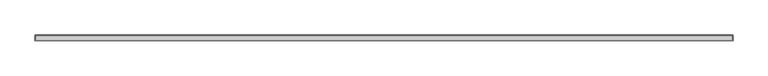
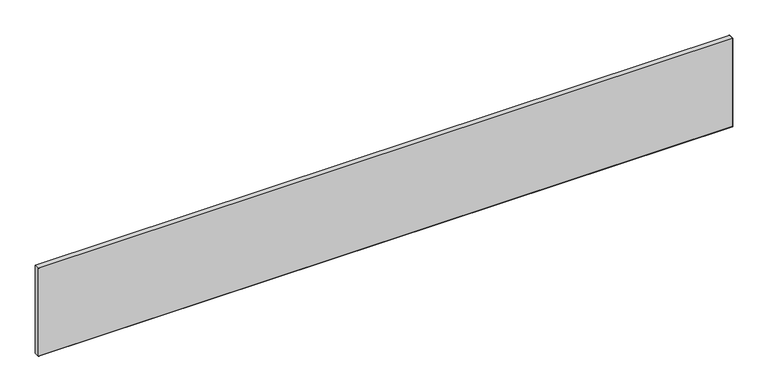
"""IFC4 building model written with IfcOpenShell, lengths in millimetres: furniture geometry."""

import ifcopenshell
import ifcopenshell.guid

model = None  # the IFC model being written
_history = None  # IfcOwnerHistory: only IFC2X3 demands one
_inside = {}  # id of a spatial element -> (the spatial element, [elements in it])
_under = {}  # id of a project, library or spatial element -> (it, [spatial elements below it])
_declared = {}  # id of a project -> (the project, [libraries it declares])
_typed = {}  # id of a type object -> (the type object, [elements of that type])
_made_of = {}  # id of a material, layer set ... -> (it, [elements and type objects made of it])


def new_model(schema):
    """Start an empty IFC model of exactly this schema.

    Asked for "IFC4X3", IfcOpenShell would pick the latest addendum, in which some entities
    have other attributes; the version numbers below select the first issue.
    IFC2X3 requires an IfcOwnerHistory on every rooted entity: one is made here for all.
    """
    global model, _history
    if schema == "IFC4X3":
        model = ifcopenshell.file(schema_version=(4, 3, 0, 0))
    else:
        model = ifcopenshell.file(schema=schema)
    _inside.clear()
    _under.clear()
    _declared.clear()
    _typed.clear()
    _made_of.clear()
    _history = None
    if model.schema == "IFC2X3":
        org = make("IfcOrganization", Name="unknown")
        user = make(
            "IfcPersonAndOrganization",
            ThePerson=make("IfcPerson", FamilyName="unknown"),
            TheOrganization=org,
        )
        app = make(
            "IfcApplication",
            ApplicationDeveloper=org,
            Version="unknown",
            ApplicationFullName="unknown",
            ApplicationIdentifier="unknown",
        )
        _history = make(
            "IfcOwnerHistory",
            OwningUser=user,
            OwningApplication=app,
            ChangeAction="ADDED",
            CreationDate=0,
        )
    return model


def make(cls, **values):
    """One entity of the class cls with the attributes given. An attribute that is None is left unset."""
    return model.create_entity(
        cls, **{name: value for name, value in values.items() if value is not None}
    )


def rooted(cls, **values):
    """An entity with a GlobalId (a new one), such as an element, a storey or a relation."""
    return make(cls, GlobalId=ifcopenshell.guid.new(), OwnerHistory=_history, **values)


def si_unit(unit_type, name, prefix=None):
    """IfcSIUnit, for example si_unit("LENGTHUNIT", "METRE", prefix="MILLI")."""
    return make("IfcSIUnit", UnitType=unit_type, Prefix=prefix, Name=name)


def assignment(units):
    """IfcUnitAssignment: the units of a project."""
    return None if units is None else make("IfcUnitAssignment", Units=units)


def point(xyz):
    """IfcCartesianPoint."""
    return None if xyz is None else make("IfcCartesianPoint", Coordinates=xyz)


def direction(xyz):
    """IfcDirection."""
    return None if xyz is None else make("IfcDirection", DirectionRatios=xyz)


def frame(location, z_axis=None, x_axis=None):
    """IfcAxis2Placement3D, a coordinate frame: its origin and axes. An axis left out is left unset."""
    return make(
        "IfcAxis2Placement3D",
        Location=point(location),
        Axis=direction(z_axis),
        RefDirection=direction(x_axis),
    )


def origin():
    """The frame at (0, 0, 0) with its axes left unset."""
    return frame((0.0, 0.0, 0.0))


def place(relative_to, where):
    """IfcLocalPlacement: puts the frame where relative to a parent placement (None: the world)."""
    return make(
        "IfcLocalPlacement", PlacementRelTo=relative_to, RelativePlacement=where
    )


def context(
    kind, dimensions, precision=None, world=None, true_north=None, identifier=None
):
    """IfcGeometricRepresentationContext, for example the 3D "Model" context."""
    return make(
        "IfcGeometricRepresentationContext",
        ContextIdentifier=identifier,
        ContextType=kind,
        CoordinateSpaceDimension=dimensions,
        Precision=precision,
        WorldCoordinateSystem=world,
        TrueNorth=true_north,
    )


def project(units=None, contexts=None):
    """IfcProject with its units and contexts."""
    return rooted(
        "IfcProject",
        Name="project",
        RepresentationContexts=contexts,
        UnitsInContext=assignment(units),
    )


def spatial(cls, under=None, at=None, **own):
    """A site, building, storey or space (cls), placed at a placement, below another one or the project."""
    s = rooted(cls, ObjectPlacement=at, **own)
    if under is not None:
        _under.setdefault(under.id(), (under, []))[1].append(s)
    return s


def point_list(points):
    """IfcCartesianPointList2D or 3D."""
    cls = (
        "IfcCartesianPointList2D" if len(points[0]) == 2 else "IfcCartesianPointList3D"
    )
    return make(cls, CoordList=points)


def triangles(points, corners, closed=None, point_numbers=None):
    """IfcTriangulatedFaceSet: each triangle names its three corners, points numbered from 1."""
    return make(
        "IfcTriangulatedFaceSet",
        Coordinates=point_list(points),
        Closed=closed,
        CoordIndex=corners,
        PnIndex=point_numbers,
    )


def shape(context_of_items, identifier, shape_type, items):
    """IfcShapeRepresentation: the items that make up one representation, for example the "Body"."""
    return make(
        "IfcShapeRepresentation",
        ContextOfItems=context_of_items,
        RepresentationIdentifier=identifier,
        RepresentationType=shape_type,
        Items=items,
    )


def source(mapping_origin, context_of_items, identifier, shape_type, items):
    """IfcRepresentationMap: a shape defined once, which mapped items show again and again."""
    return make(
        "IfcRepresentationMap",
        MappingOrigin=mapping_origin,
        MappedRepresentation=shape(context_of_items, identifier, shape_type, items),
    )


def transform(
    local_origin,
    x_axis=None,
    y_axis=None,
    z_axis=None,
    scale=None,
    scale2=None,
    scale3=None,
    uniform=True,
):
    """IfcCartesianTransformationOperator3D, or its non-uniform kind. x_axis, y_axis, z_axis: its Axis1, 2, 3."""
    if uniform:
        return make(
            "IfcCartesianTransformationOperator3D",
            Axis1=direction(x_axis),
            Axis2=direction(y_axis),
            LocalOrigin=point(local_origin),
            Scale=scale,
            Axis3=direction(z_axis),
        )
    return make(
        "IfcCartesianTransformationOperator3DnonUniform",
        Axis1=direction(x_axis),
        Axis2=direction(y_axis),
        LocalOrigin=point(local_origin),
        Scale=scale,
        Axis3=direction(z_axis),
        Scale2=scale2,
        Scale3=scale3,
    )


def mapped(mapping_source, mapping_target):
    """IfcMappedItem: shows the shape of a source again, moved by a transform."""
    return make(
        "IfcMappedItem", MappingSource=mapping_source, MappingTarget=mapping_target
    )


def made_of(thing, what):
    """Note that an element or type object is made of a material, layer set ...; save() writes the relation."""
    if what is not None:
        _made_of.setdefault(what.id(), (what, []))[1].append(thing)
    return thing


def element(
    cls,
    number,
    at=None,
    inside=None,
    cuts=None,
    type_object=None,
    material=None,
    context=None,
    identifier="Body",
    shape_type=None,
    held_by="IfcProductDefinitionShape",
    body=None,
    shapes=None,
    **own,
):
    """One element of the class cls, such as IfcWall. Its Tag is "e" and its number.

    at: its placement. inside: the storey or other place that contains it. cuts: it is an
    opening in that element (IfcRelVoidsElement). A single representation is given by context,
    identifier, shape_type and body (its items); several are given by shapes. held_by: the class
    of the entity that holds the representations. save() writes the other relations.
    """
    e = rooted(cls, Tag="e%d" % number, ObjectPlacement=at, **own)
    if body is not None:
        shapes = [shape(context, identifier, shape_type, body)]
    if shapes is not None:
        e.Representation = make(held_by, Representations=shapes)
    if inside is not None:
        _inside.setdefault(inside.id(), (inside, []))[1].append(e)
    if cuts is not None:
        rooted(
            "IfcRelVoidsElement", RelatingBuildingElement=cuts, RelatedOpeningElement=e
        )
    if type_object is not None:
        _typed.setdefault(type_object.id(), (type_object, []))[1].append(e)
    return made_of(e, material)


def aggregate(whole, parts):
    """IfcRelAggregates: a whole, such as a stair, and the parts it consists of."""
    return rooted("IfcRelAggregates", RelatingObject=whole, RelatedObjects=parts)


def save(model, path):
    """Write the relations noted so far, then the file.

    IfcRelAggregates (storeys below a building ...), IfcRelContainedInSpatialStructure (elements
    in a storey), IfcRelDefinesByType, IfcRelAssociatesMaterial and IfcRelDeclares: one each for
    every whole, place, type object, material and project.
    """
    for whole, parts in _under.values():
        aggregate(whole, parts)
    for where, things in _inside.values():
        rooted(
            "IfcRelContainedInSpatialStructure",
            RelatedElements=things,
            RelatingStructure=where,
        )
    for kind, things in _typed.values():
        rooted("IfcRelDefinesByType", RelatedObjects=things, RelatingType=kind)
    for what, things in _made_of.values():
        rooted("IfcRelAssociatesMaterial", RelatedObjects=things, RelatingMaterial=what)
    for by, libraries in _declared.values():
        rooted("IfcRelDeclares", RelatingContext=by, RelatedDefinitions=libraries)
    model.write(path)


def furniture_b0091145(model_context):
    return source(origin(), model_context, "Body", "Tessellation", [
        triangles([(3047.2381279, -0.762, 409.575), (3047.2381279, 0.0, 408.8129826), (0.762, 0.0, 408.8129826), (0.762, -0.762, 409.575), (0.762, -24.6379992, 409.575), (0.0, -0.762, 408.8129826), (0.0, -24.6379992, 408.8129826), (0.762, -25.4000008, 408.8129826), (3047.2381279, -25.4000008, 408.8129826), (3047.2381279, -24.6379992, 409.575), (0.762, -25.4000008, 0.762), (3047.2381279, -25.4000008, 0.762), (0.0, -24.6379992, 0.762), (0.0, -0.762, 0.762), (3047.2381279, 0.0, 0.762), (0.762, 0.0, 0.762), (3048.0, -0.762, 0.762), (3048.0, -0.762, 408.8129826), (3048.0, -24.6379992, 408.8129826), (3048.0, -24.6379992, 0.762), (3047.2381279, -24.6379992, 0.0), (3047.2381279, -0.762, 0.0), (0.762, -24.6379992, 0.0), (0.762, -0.762, 0.0)], [[1, 2, 3], [1, 3, 4], [5, 4, 6], [5, 6, 7], [5, 8, 9], [5, 9, 10], [11, 12, 9], [11, 9, 8], [13, 7, 6], [13, 6, 14], [15, 16, 3], [15, 3, 2], [17, 18, 19], [17, 19, 20], [21, 22, 17], [21, 17, 20], [21, 12, 11], [21, 11, 23], [24, 23, 13], [24, 13, 14], [24, 16, 15], [24, 15, 22], [19, 18, 1], [19, 1, 10], [10, 1, 4], [10, 4, 5], [3, 6, 4], [14, 6, 3], [14, 3, 16], [14, 16, 24], [23, 11, 13], [13, 11, 8], [13, 8, 7], [5, 7, 8], [15, 17, 22], [17, 15, 2], [17, 2, 18], [1, 18, 2], [21, 20, 12], [12, 20, 19], [12, 19, 9], [10, 9, 19]], closed=False),
    ])


if __name__ == "__main__":
    model = new_model("IFC4")
    model_context = context("Model", 3, world=origin())
    ifc_project = project(units=[si_unit("LENGTHUNIT", "METRE", prefix="MILLI")], contexts=[model_context])
    site = spatial("IfcSite", under=ifc_project)
    building = spatial("IfcBuilding", under=site)
    placement = place(None, origin())
    furniture_shape = furniture_b0091145(model_context)
    element("IfcFurniture", 1, at=placement, inside=building, context=model_context, shape_type="MappedRepresentation", body=[
        mapped(furniture_shape, transform((0.0, 0.0, 0.0), x_axis=(1.0, 0.0, 0.0), y_axis=(0.0, 1.0, 0.0), z_axis=(0.0, 0.0, 1.0))),
    ])
    save(model, "model.ifc")
